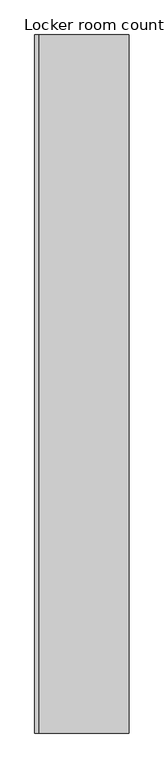
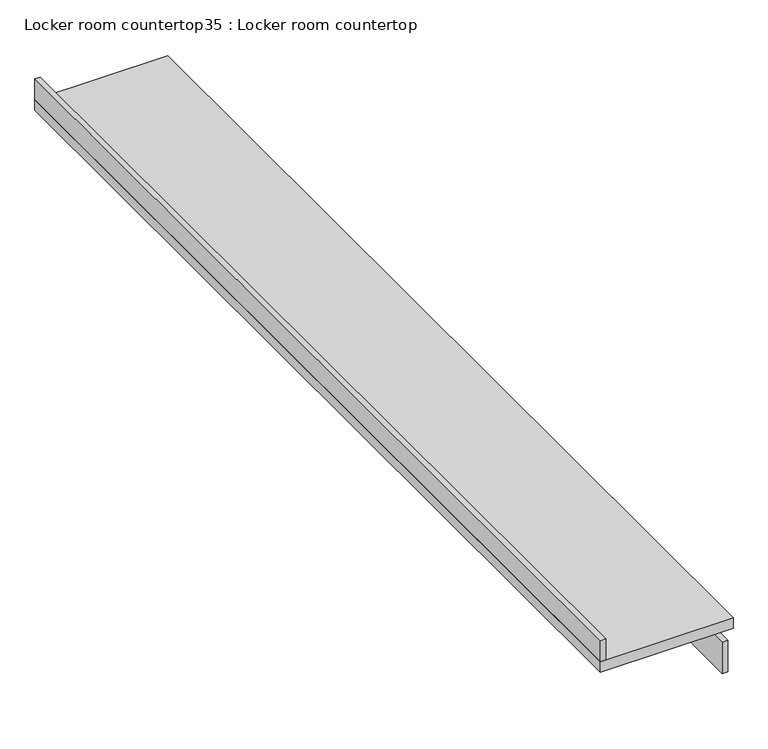
"""IFC4 building model written with IfcOpenShell, lengths in millimetres: furniture geometry, Locker room countertop35 : Locker room countertop."""

from ifc_helpers import new_model, si_unit, frame, origin, place, context, project, spatial, polyline, outline, extrude, source, transform, mapped, element, save


def locker_room_countertop35_locker_room_countertop_a4c9f74f(model_context):
    return source(origin(), model_context, "Body", "SweptSolid", [
        extrude(outline(polyline([(240526.6754676, -288213.4301081), (240501.2754676, -288213.4301081), (240501.2754676, -283711.2801081), (240526.6754676, -283711.2801081), (240526.6754676, -288213.4301081)])), frame((0.0, 0.0, 660.4), z_axis=(0.0, 0.0, 1.0), x_axis=(1.0, 0.0, 0.0)), (0.0, 0.0, 1.0), 152.4),
        extrude(outline(polyline([(239967.8754676, -283711.2801081), (239967.8754676, -288213.4301081), (239942.4754676, -288213.4301081), (239942.4754676, -283711.2801081), (239967.8754676, -283711.2801081)])), frame((0.0, 0.0, 914.4), z_axis=(0.0, 0.0, 1.0), x_axis=(1.0, 0.0, 0.0)), (0.0, 0.0, 1.0), 101.6),
        extrude(outline(polyline([(240552.0754676, -283711.2801081), (240552.0754676, -288213.4301081), (239942.4754676, -288213.4301081), (239942.4754676, -283711.2801081), (240552.0754676, -283711.2801081)])), frame((0.0, 0.0, 863.6), z_axis=(0.0, 0.0, 1.0), x_axis=(1.0, 0.0, 0.0)), (0.0, 0.0, 1.0), 50.8),
    ])


if __name__ == "__main__":
    model = new_model("IFC4")
    model_context = context("Model", 3, world=origin())
    ifc_project = project(units=[si_unit("LENGTHUNIT", "METRE", prefix="MILLI")], contexts=[model_context])
    site = spatial("IfcSite", under=ifc_project)
    building = spatial("IfcBuilding", under=site)
    placement = place(None, origin())
    locker_room_countertop35_locker_room_countertop_shape = locker_room_countertop35_locker_room_countertop_a4c9f74f(model_context)
    element("IfcFurniture", 1, ObjectType="Locker room countertop35 : Locker room countertop", at=placement, inside=building, context=model_context, shape_type="MappedRepresentation", body=[
        mapped(locker_room_countertop35_locker_room_countertop_shape, transform((0.0, 0.0, 0.0), x_axis=(1.0, 0.0, 0.0), y_axis=(0.0, 1.0, 0.0), z_axis=(0.0, 0.0, 1.0))),
    ])
    save(model, "model.ifc")
